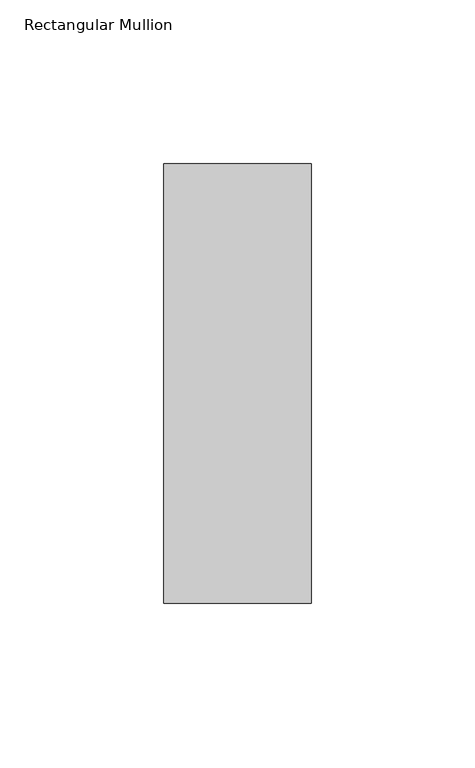
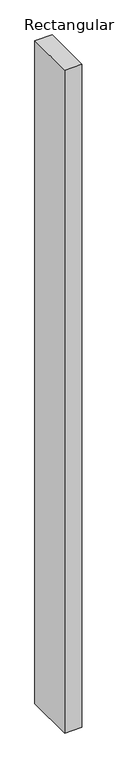
"""IFC4 building model written with IfcOpenShell, lengths in millimetres: member geometry, Rectangular Mullion."""

from ifc_helpers import new_model, si_unit, frame, origin, place, context, project, spatial, polyline, outline, extrude, source, transform, mapped, element, save


def rectangular_mullion_8cb76c8c(model_context):
    return source(origin(), model_context, "Body", "SweptSolid", [
        extrude(outline(polyline([(0.0, 82.60625), (0.0, -51.60625), (-45.0, -51.60625), (-45.0, 82.60625), (0.0, 82.60625)])), frame((0.0, 0.0, -1828.8), z_axis=(0.0, 0.0, 1.0), x_axis=(1.0, 0.0, 0.0)), (0.0, 0.0, 1.0), 1828.8),
    ])


if __name__ == "__main__":
    model = new_model("IFC4")
    model_context = context("Model", 3, world=origin())
    ifc_project = project(units=[si_unit("LENGTHUNIT", "METRE", prefix="MILLI")], contexts=[model_context])
    site = spatial("IfcSite", under=ifc_project)
    building = spatial("IfcBuilding", under=site)
    placement = place(None, origin())
    rectangular_mullion_shape = rectangular_mullion_8cb76c8c(model_context)
    element("IfcMember", 1, ObjectType="Rectangular Mullion", at=placement, inside=building, context=model_context, shape_type="MappedRepresentation", body=[
        mapped(rectangular_mullion_shape, transform((0.0, 0.0, 0.0), x_axis=(1.0, 0.0, 0.0), y_axis=(0.0, 1.0, 0.0), z_axis=(0.0, 0.0, 1.0))),
    ])
    save(model, "model.ifc")
